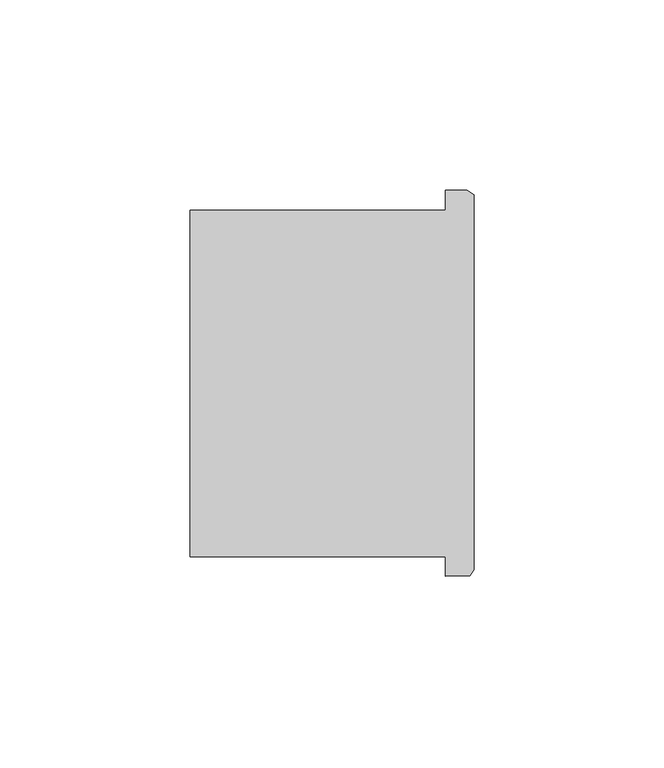
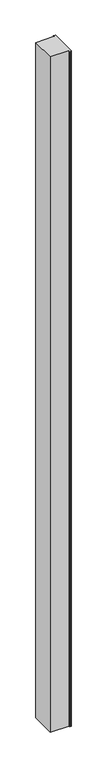
"""IFC4 building model written with IfcOpenShell, lengths in millimetres: column geometry."""

import ifcopenshell
import ifcopenshell.guid

model = None  # the IFC model being written
_history = None  # IfcOwnerHistory: only IFC2X3 demands one
_inside = {}  # id of a spatial element -> (the spatial element, [elements in it])
_under = {}  # id of a project, library or spatial element -> (it, [spatial elements below it])
_declared = {}  # id of a project -> (the project, [libraries it declares])
_typed = {}  # id of a type object -> (the type object, [elements of that type])
_made_of = {}  # id of a material, layer set ... -> (it, [elements and type objects made of it])


def new_model(schema):
    """Start an empty IFC model of exactly this schema.

    Asked for "IFC4X3", IfcOpenShell would pick the latest addendum, in which some entities
    have other attributes; the version numbers below select the first issue.
    IFC2X3 requires an IfcOwnerHistory on every rooted entity: one is made here for all.
    """
    global model, _history
    if schema == "IFC4X3":
        model = ifcopenshell.file(schema_version=(4, 3, 0, 0))
    else:
        model = ifcopenshell.file(schema=schema)
    _inside.clear()
    _under.clear()
    _declared.clear()
    _typed.clear()
    _made_of.clear()
    _history = None
    if model.schema == "IFC2X3":
        org = make("IfcOrganization", Name="unknown")
        user = make(
            "IfcPersonAndOrganization",
            ThePerson=make("IfcPerson", FamilyName="unknown"),
            TheOrganization=org,
        )
        app = make(
            "IfcApplication",
            ApplicationDeveloper=org,
            Version="unknown",
            ApplicationFullName="unknown",
            ApplicationIdentifier="unknown",
        )
        _history = make(
            "IfcOwnerHistory",
            OwningUser=user,
            OwningApplication=app,
            ChangeAction="ADDED",
            CreationDate=0,
        )
    return model


def make(cls, **values):
    """One entity of the class cls with the attributes given. An attribute that is None is left unset."""
    return model.create_entity(
        cls, **{name: value for name, value in values.items() if value is not None}
    )


def rooted(cls, **values):
    """An entity with a GlobalId (a new one), such as an element, a storey or a relation."""
    return make(cls, GlobalId=ifcopenshell.guid.new(), OwnerHistory=_history, **values)


def si_unit(unit_type, name, prefix=None):
    """IfcSIUnit, for example si_unit("LENGTHUNIT", "METRE", prefix="MILLI")."""
    return make("IfcSIUnit", UnitType=unit_type, Prefix=prefix, Name=name)


def assignment(units):
    """IfcUnitAssignment: the units of a project."""
    return None if units is None else make("IfcUnitAssignment", Units=units)


def point(xyz):
    """IfcCartesianPoint."""
    return None if xyz is None else make("IfcCartesianPoint", Coordinates=xyz)


def direction(xyz):
    """IfcDirection."""
    return None if xyz is None else make("IfcDirection", DirectionRatios=xyz)


def frame(location, z_axis=None, x_axis=None):
    """IfcAxis2Placement3D, a coordinate frame: its origin and axes. An axis left out is left unset."""
    return make(
        "IfcAxis2Placement3D",
        Location=point(location),
        Axis=direction(z_axis),
        RefDirection=direction(x_axis),
    )


def origin():
    """The frame at (0, 0, 0) with its axes left unset."""
    return frame((0.0, 0.0, 0.0))


def place(relative_to, where):
    """IfcLocalPlacement: puts the frame where relative to a parent placement (None: the world)."""
    return make(
        "IfcLocalPlacement", PlacementRelTo=relative_to, RelativePlacement=where
    )


def context(
    kind, dimensions, precision=None, world=None, true_north=None, identifier=None
):
    """IfcGeometricRepresentationContext, for example the 3D "Model" context."""
    return make(
        "IfcGeometricRepresentationContext",
        ContextIdentifier=identifier,
        ContextType=kind,
        CoordinateSpaceDimension=dimensions,
        Precision=precision,
        WorldCoordinateSystem=world,
        TrueNorth=true_north,
    )


def project(units=None, contexts=None):
    """IfcProject with its units and contexts."""
    return rooted(
        "IfcProject",
        Name="project",
        RepresentationContexts=contexts,
        UnitsInContext=assignment(units),
    )


def spatial(cls, under=None, at=None, **own):
    """A site, building, storey or space (cls), placed at a placement, below another one or the project."""
    s = rooted(cls, ObjectPlacement=at, **own)
    if under is not None:
        _under.setdefault(under.id(), (under, []))[1].append(s)
    return s


def polyline(points):
    """IfcPolyline through the points."""
    return make("IfcPolyline", Points=[point(p) for p in points])


def outline(outer, holes=None, kind="AREA"):
    """IfcArbitraryClosedProfileDef: a profile drawn as a closed curve; with holes, ...WithVoids."""
    if holes is None:
        return make("IfcArbitraryClosedProfileDef", ProfileType=kind, OuterCurve=outer)
    return make(
        "IfcArbitraryProfileDefWithVoids",
        ProfileType=kind,
        OuterCurve=outer,
        InnerCurves=holes,
    )


def extrude(swept, where, along, depth):
    """IfcExtrudedAreaSolid: the profile swept, set in the frame where, extruded along a direction by depth."""
    return make(
        "IfcExtrudedAreaSolid",
        SweptArea=swept,
        Position=where,
        ExtrudedDirection=direction(along),
        Depth=depth,
    )


def shape(context_of_items, identifier, shape_type, items):
    """IfcShapeRepresentation: the items that make up one representation, for example the "Body"."""
    return make(
        "IfcShapeRepresentation",
        ContextOfItems=context_of_items,
        RepresentationIdentifier=identifier,
        RepresentationType=shape_type,
        Items=items,
    )


def source(mapping_origin, context_of_items, identifier, shape_type, items):
    """IfcRepresentationMap: a shape defined once, which mapped items show again and again."""
    return make(
        "IfcRepresentationMap",
        MappingOrigin=mapping_origin,
        MappedRepresentation=shape(context_of_items, identifier, shape_type, items),
    )


def transform(
    local_origin,
    x_axis=None,
    y_axis=None,
    z_axis=None,
    scale=None,
    scale2=None,
    scale3=None,
    uniform=True,
):
    """IfcCartesianTransformationOperator3D, or its non-uniform kind. x_axis, y_axis, z_axis: its Axis1, 2, 3."""
    if uniform:
        return make(
            "IfcCartesianTransformationOperator3D",
            Axis1=direction(x_axis),
            Axis2=direction(y_axis),
            LocalOrigin=point(local_origin),
            Scale=scale,
            Axis3=direction(z_axis),
        )
    return make(
        "IfcCartesianTransformationOperator3DnonUniform",
        Axis1=direction(x_axis),
        Axis2=direction(y_axis),
        LocalOrigin=point(local_origin),
        Scale=scale,
        Axis3=direction(z_axis),
        Scale2=scale2,
        Scale3=scale3,
    )


def mapped(mapping_source, mapping_target):
    """IfcMappedItem: shows the shape of a source again, moved by a transform."""
    return make(
        "IfcMappedItem", MappingSource=mapping_source, MappingTarget=mapping_target
    )


def made_of(thing, what):
    """Note that an element or type object is made of a material, layer set ...; save() writes the relation."""
    if what is not None:
        _made_of.setdefault(what.id(), (what, []))[1].append(thing)
    return thing


def element(
    cls,
    number,
    at=None,
    inside=None,
    cuts=None,
    type_object=None,
    material=None,
    context=None,
    identifier="Body",
    shape_type=None,
    held_by="IfcProductDefinitionShape",
    body=None,
    shapes=None,
    **own,
):
    """One element of the class cls, such as IfcWall. Its Tag is "e" and its number.

    at: its placement. inside: the storey or other place that contains it. cuts: it is an
    opening in that element (IfcRelVoidsElement). A single representation is given by context,
    identifier, shape_type and body (its items); several are given by shapes. held_by: the class
    of the entity that holds the representations. save() writes the other relations.
    """
    e = rooted(cls, Tag="e%d" % number, ObjectPlacement=at, **own)
    if body is not None:
        shapes = [shape(context, identifier, shape_type, body)]
    if shapes is not None:
        e.Representation = make(held_by, Representations=shapes)
    if inside is not None:
        _inside.setdefault(inside.id(), (inside, []))[1].append(e)
    if cuts is not None:
        rooted(
            "IfcRelVoidsElement", RelatingBuildingElement=cuts, RelatedOpeningElement=e
        )
    if type_object is not None:
        _typed.setdefault(type_object.id(), (type_object, []))[1].append(e)
    return made_of(e, material)


def aggregate(whole, parts):
    """IfcRelAggregates: a whole, such as a stair, and the parts it consists of."""
    return rooted("IfcRelAggregates", RelatingObject=whole, RelatedObjects=parts)


def save(model, path):
    """Write the relations noted so far, then the file.

    IfcRelAggregates (storeys below a building ...), IfcRelContainedInSpatialStructure (elements
    in a storey), IfcRelDefinesByType, IfcRelAssociatesMaterial and IfcRelDeclares: one each for
    every whole, place, type object, material and project.
    """
    for whole, parts in _under.values():
        aggregate(whole, parts)
    for where, things in _inside.values():
        rooted(
            "IfcRelContainedInSpatialStructure",
            RelatedElements=things,
            RelatingStructure=where,
        )
    for kind, things in _typed.values():
        rooted("IfcRelDefinesByType", RelatedObjects=things, RelatingType=kind)
    for what, things in _made_of.values():
        rooted("IfcRelAssociatesMaterial", RelatedObjects=things, RelatingMaterial=what)
    for by, libraries in _declared.values():
        rooted("IfcRelDeclares", RelatingContext=by, RelatedDefinitions=libraries)
    model.write(path)


def column_3ebb2ab5(model_context):
    return source(origin(), model_context, "Body", "SweptSolid", [
        extrude(outline(polyline([(84683.6496062, -50864.9169644), (84683.6496062, -50859.8258138), (84616.3544906, -50859.8258138), (84616.3544906, -50768.6189604), (84683.6496062, -50768.6189604), (84683.6496062, -50763.3169644), (84689.3484772, -50763.3169644), (84691.1158092, -50764.5540968), (84691.1158092, -50863.2767594), (84690.0368172, -50864.765047), (84683.6496062, -50864.9169644)])), frame((0.0, 0.0, 4419.602032), z_axis=(0.0, 0.0, 1.0), x_axis=(1.0, 0.0, 0.0)), (0.0, 0.0, 1.0), 2590.7999488),
        extrude(outline(polyline([(84683.6496062, -50864.9169644), (84683.6496062, -50859.8258138), (84616.3544906, -50859.8258138), (84616.3544906, -50768.6189604), (84683.6496062, -50768.6189604), (84683.6496062, -50763.3169644), (84689.3484772, -50763.3169644), (84691.1158092, -50764.5540968), (84691.1158092, -50863.2767594), (84690.0368172, -50864.765047), (84683.6496062, -50864.9169644)])), frame((0.0, 0.0, 4419.602032), z_axis=(0.0, 0.0, 1.0), x_axis=(1.0, 0.0, 0.0)), (0.0, 0.0, 1.0), 2590.7999488),
    ])


if __name__ == "__main__":
    model = new_model("IFC4")
    model_context = context("Model", 3, world=origin())
    ifc_project = project(units=[si_unit("LENGTHUNIT", "METRE", prefix="MILLI")], contexts=[model_context])
    site = spatial("IfcSite", under=ifc_project)
    building = spatial("IfcBuilding", under=site)
    placement = place(None, origin())
    column_shape = column_3ebb2ab5(model_context)
    element("IfcColumn", 1, at=placement, inside=building, context=model_context, shape_type="MappedRepresentation", body=[
        mapped(column_shape, transform((0.0, 0.0, 0.0), x_axis=(1.0, 0.0, 0.0), y_axis=(0.0, 1.0, 0.0), z_axis=(0.0, 0.0, 1.0))),
    ])
    save(model, "model.ifc")
